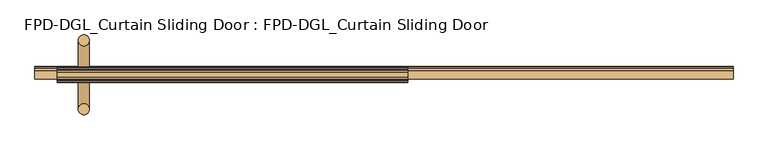
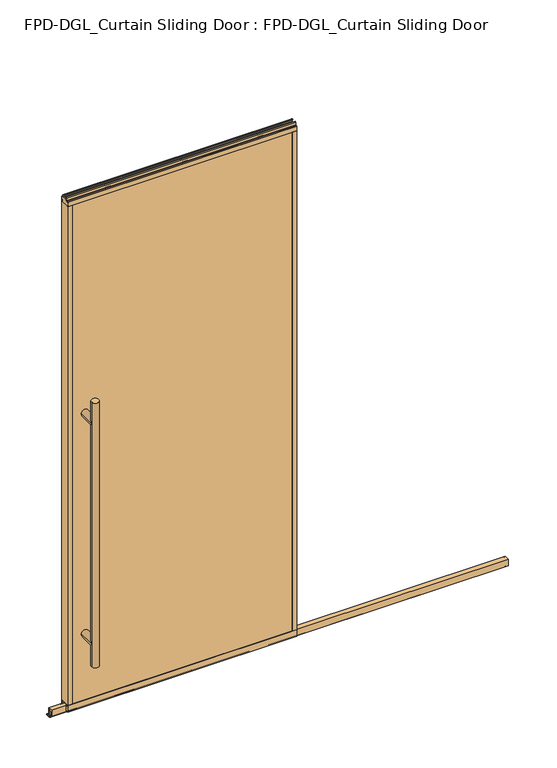
"""IFC4 building model written with IfcOpenShell, lengths in millimetres: door geometry, FPD-DGL_Curtain Sliding Door : FPD-DGL_Curtain Sliding Door."""

from ifc_helpers import new_model, si_unit, point, frame, frame_2d, origin, place, context, project, spatial, polyline, circle_curve, ellipse_curve, trimmed, segment, composite_curve, outline, extrude, source, transform, mapped, element, save
from ifc_brep_helpers import plane_surface, cylinder_surface, advanced_brep


def fpd_dgl_curtain_sliding_door_fpd_dgl_curtain_sliding_door_b90c5eca(model_context):
    return source(origin(), model_context, "Body", "SolidModel", [
        advanced_brep(
        [(-407.9879673, 35.128049, 1473.2), (-439.7379673, 35.128049, 1473.2), (-407.9879673, -162.0969566, 1473.2), (-439.7379673, -162.0969566, 1473.2), (-407.9879673, 35.128049, 254.0), (-439.7379673, 35.128049, 254.0), (-407.9879673, -162.0969566, 254.0), (-439.7379673, -162.0969566, 254.0), (-407.9879673, 35.128049, 355.6), (-439.7379673, 35.128049, 355.6), (-407.9879673, 35.128049, 1371.6), (-439.7379673, 35.128049, 1371.6), (-439.7379673, -162.0969566, 1371.6), (-439.7379673, -162.0969566, 355.6), (-407.9879673, -162.0969566, 355.6), (-407.9879673, -162.0969566, 1371.6)],
        [
            (0, 1, circle_curve(frame((-423.8629673, 35.128049, 1473.2), z_axis=(0.0, 0.0, 1.0), x_axis=(-1.0, 0.0, 0.0)), 15.875)),
            (1, 0, circle_curve(frame((-423.8629673, 35.128049, 1473.2), z_axis=(0.0, 0.0, 1.0), x_axis=(-1.0, 0.0, 0.0)), 15.875)),
            (2, 3, circle_curve(frame((-423.8629673, -162.0969566, 1473.2), z_axis=(0.0, 0.0, 1.0), x_axis=(-1.0, 0.0, 0.0)), 15.875)),
            (3, 2, circle_curve(frame((-423.8629673, -162.0969566, 1473.2), z_axis=(0.0, 0.0, 1.0), x_axis=(-1.0, 0.0, 0.0)), 15.875)),
            (4, 5, circle_curve(frame((-423.8629673, 35.128049, 254.0), z_axis=(0.0, 0.0, -1.0), x_axis=(-1.0, 0.0, 0.0)), 15.875)),
            (5, 4, circle_curve(frame((-423.8629673, 35.128049, 254.0), z_axis=(0.0, 0.0, -1.0), x_axis=(-1.0, 0.0, 0.0)), 15.875)),
            (6, 7, circle_curve(frame((-423.8629673, -162.0969566, 254.0), z_axis=(0.0, 0.0, -1.0), x_axis=(-1.0, 0.0, 0.0)), 15.875)),
            (7, 6, circle_curve(frame((-423.8629673, -162.0969566, 254.0), z_axis=(0.0, 0.0, -1.0), x_axis=(-1.0, 0.0, 0.0)), 15.875)),
            (4, 8),
            (8, 9, ellipse_curve(frame((-423.8629673, 35.128049, 355.6), z_axis=(0.0, 0.7071067811865525, -0.7071067811865427), x_axis=(0.0, 0.7071067811865427, 0.7071067811865523)), 22.4506403, 15.875)),
            (9, 5),
            (10, 11, ellipse_curve(frame((-423.8629673, 35.128049, 1371.6), z_axis=(0.0, 0.7071067811865427, -0.7071067811865525), x_axis=(0.0, 0.7071067811865525, 0.7071067811865425)), 22.4506403, 15.875)),
            (11, 9),
            (9, 8, ellipse_curve(frame((-423.8629673, 35.128049, 355.6), z_axis=(0.0, 0.7071067811865427, 0.7071067811865525), x_axis=(0.0, -0.7071067811865525, 0.7071067811865425)), 22.4506403, 15.875)),
            (8, 10),
            (1, 11),
            (11, 10, ellipse_curve(frame((-423.8629673, 35.128049, 1371.6), z_axis=(0.0, 0.7071067811865525, 0.7071067811865427), x_axis=(0.0, -0.7071067811865427, 0.7071067811865523)), 22.4506403, 15.875)),
            (10, 0),
            (3, 12),
            (12, 13),
            (13, 7),
            (6, 14),
            (14, 15),
            (15, 2),
            (15, 12, ellipse_curve(frame((-423.8629673, -162.0969566, 1371.6), z_axis=(0.0, -0.7071067811865427, 0.7071067811865525), x_axis=(0.0, 0.7071067811865525, 0.7071067811865425)), 22.4506403, 15.875)),
            (13, 14, ellipse_curve(frame((-423.8629673, -162.0969566, 355.6), z_axis=(0.0, -0.7071067811865427, -0.7071067811865525), x_axis=(0.0, -0.7071067811865525, 0.7071067811865425)), 22.4506403, 15.875)),
            (14, 13, ellipse_curve(frame((-423.8629673, -162.0969566, 355.6), z_axis=(0.0, -0.7071067811865525, 0.7071067811865427), x_axis=(0.0, 0.7071067811865427, 0.7071067811865523)), 22.4506403, 15.875)),
            (12, 15, ellipse_curve(frame((-423.8629673, -162.0969566, 1371.6), z_axis=(0.0, -0.7071067811865525, -0.7071067811865427), x_axis=(0.0, -0.7071067811865427, 0.7071067811865523)), 22.4506403, 15.875)),
            (10, 15),
            (12, 11),
            (8, 14),
            (13, 9),
        ],
        [
            plane_surface(frame((-324.7555665, -63.5, 1473.2), z_axis=(0.0, 0.0, 1.0), x_axis=(0.0, 1.0, 0.0))),
            plane_surface(frame((-324.7555665, -63.5, 254.0), z_axis=(0.0, 0.0, -1.0), x_axis=(0.0, 1.0, 0.0))),
            cylinder_surface(frame((-423.8629673, 35.128049, 1473.2), z_axis=(0.0, 0.0, 1.0), x_axis=(-1.0, 0.0, 0.0)), 15.875),
            cylinder_surface(frame((-423.8629673, -162.0969566, 1473.2), z_axis=(0.0, 0.0, 1.0), x_axis=(-1.0, 0.0, 0.0)), 15.875),
            cylinder_surface(frame((-423.8629673, -162.0969566, 1371.6), z_axis=(0.0, 1.0, 0.0), x_axis=(1.0, 0.0, 0.0)), 15.875),
            cylinder_surface(frame((-423.8629673, -63.5, 355.6), z_axis=(0.0, 1.0, 0.0), x_axis=(1.0, 0.0, 0.0)), 15.875),
        ],
        [
            (0, [[1, 2]]),
            (0, [[3, 4]]),
            (1, [[5, 6]]),
            (1, [[7, 8]]),
            (2, [[9, 10, 11, -5]]),
            (2, [[12, 13, 14, 15]]),
            (2, [[16, 17, 18, -2]]),
            (2, [[-18, -15, -9, -6, -11, -13, -16, -1]]),
            (3, [[19, 20, 21, -7, 22, 23, 24, -4]]),
            (3, [[-24, 25, -19, -3]]),
            (3, [[-21, 26, -22, -8]]),
            (3, [[27, -20, 28, -23]]),
            (4, [[-12, 29, -28, 30]]),
            (4, [[-25, -29, -17, -30]]),
            (5, [[-10, 31, -26, 32]]),
            (5, [[-27, -31, -14, -32]]),
        ],
    ),
        extrude(outline(composite_curve([segment(polyline([(-59.6869794, 1.1714386), (-59.6869794, 4.0416386)]), True, "CONTINUOUS"), segment(trimmed(circle_curve(frame_2d((-58.5185794, 4.0416386)), 1.1684), [point((-59.6869794, 4.0416386))], [point((-58.9336188, 5.1338386))], False, "CARTESIAN"), True, "CONTINUOUS"), segment(polyline([(-58.9336188, 5.1338386), (-56.2262294, 5.1338386), (-56.2262294, 4.3138948), (-58.9122794, 4.3138948), (-58.9122794, 0.7650387), (-40.4337797, 0.7650387), (-40.4337797, 4.4232339), (-43.4288569, 4.4232339), (-43.4288569, 5.2100386), (-40.8401797, 5.2100386)]), True, "CONTINUOUS"), segment(trimmed(circle_curve(frame_2d((-40.8401797, 4.0416386)), 1.1684), [point((-40.8401797, 5.2100386))], [point((-39.6717797, 4.0416386))], False, "CARTESIAN"), True, "CONTINUOUS"), segment(polyline([(-39.6717797, 4.0416386), (-39.6717797, 1.1714386)]), True, "CONTINUOUS"), segment(trimmed(circle_curve(frame_2d((-40.8401797, 1.1714386)), 1.1684), [point((-39.6717797, 1.1714386))], [point((-40.8401797, 0.0030387))], False, "CARTESIAN"), True, "CONTINUOUS"), segment(polyline([(-40.8401797, 0.0030387), (-58.5185794, 0.0030387)]), True, "CONTINUOUS"), segment(trimmed(circle_curve(frame_2d((-58.5185794, 1.1714386)), 1.1684), [point((-58.5185794, 0.0030387))], [point((-59.6869794, 1.1714386))], False, "CARTESIAN"), True, "CONTINUOUS")], self_intersect=False)), frame((-563.5629673, 0.0, 0.0), z_axis=(1.0, 0.0, 0.0), x_axis=(0.0, 1.0, 0.0)), (0.0, 0.0, 1.0), 1990.7259345),
        extrude(outline(composite_curve([segment(polyline([(-74.4646139, 41.6030387), (-52.5646141, 41.6030387), (-52.5646141, 11.6839647), (-54.064702, 11.6839647), (-54.064702, 39.1709995)]), True, "CONTINUOUS"), segment(trimmed(circle_curve(frame_2d((-54.9969627, 39.1709995)), 0.9322606), [point((-54.064702, 39.1709995))], [point((-54.9969627, 40.1032601))], True, "CARTESIAN"), True, "CONTINUOUS"), segment(polyline([(-54.9969627, 40.1032601), (-60.0857402, 40.1032601)]), True, "CONTINUOUS"), segment(trimmed(circle_curve(frame_2d((-60.0857402, 39.1243868)), 0.9788733), [point((-60.0857402, 40.1032601))], [point((-61.0646135, 39.1243868))], True, "CARTESIAN"), True, "CONTINUOUS"), segment(polyline([(-61.0646135, 39.1243868), (-61.0646135, 11.6839647), (-62.6646138, 11.6839647), (-62.6646138, 33.5017657), (-64.0544462, 33.5017657), (-64.0544462, 34.3040626), (-62.6646138, 34.3040626), (-62.6646138, 35.6040627), (-73.4646139, 35.6040627), (-73.4646139, 34.3040626), (-72.0747815, 34.3040626), (-72.0747815, 33.5017657), (-73.4646139, 33.5017657), (-73.4646139, 11.6839647), (-74.4646139, 11.6839647), (-74.4646139, 41.6030387)]), True, "CONTINUOUS")], self_intersect=False)), frame((-563.5629673, 0.0, 0.0), z_axis=(1.0, 0.0, 0.0), x_axis=(0.0, 1.0, 0.0)), (0.0, 0.0, 1.0), 1990.7259345),
        extrude(outline(composite_curve([segment(polyline([(-49.1758097, 48.6471016), (-49.1758097, 47.6299627), (-50.5428229, 47.6299627), (-50.5428229, 41.3613764)]), True, "CONTINUOUS"), segment(trimmed(circle_curve(frame_2d((-48.227348, 41.3613764)), 2.3154748), [point((-50.5428229, 41.3613764))], [point((-48.227348, 39.0459016))], True, "CARTESIAN"), True, "CONTINUOUS"), segment(polyline([(-48.227348, 39.0459016), (-43.2396246, 39.0522555)]), True, "CONTINUOUS"), segment(trimmed(circle_curve(frame_2d((-43.337823, 39.8079016)), 0.762), [point((-43.2396246, 39.0522555))], [point((-42.575823, 39.8079016))], True, "CARTESIAN"), True, "CONTINUOUS"), segment(polyline([(-42.575823, 39.8079016), (-42.575823, 48.6471016), (-41.2758255, 48.6471016), (-41.2758255, 19.0059017), (-50.3972378, 19.0059017), (-50.3972378, 15.875), (-52.3015279, 15.875), (-52.3015279, 47.0470737), (-74.6984721, 47.0470737), (-74.6984721, 15.875), (-76.6027622, 15.875), (-76.6027622, 19.0059017), (-85.7241745, 19.0059017), (-85.7241745, 48.6471016), (-84.424177, 48.6471016), (-84.424177, 39.8079016)]), True, "CONTINUOUS"), segment(trimmed(circle_curve(frame_2d((-83.662177, 39.8079016)), 0.762), [point((-84.424177, 39.8079016))], [point((-83.7603754, 39.0522555))], True, "CARTESIAN"), True, "CONTINUOUS"), segment(polyline([(-83.7603754, 39.0522555), (-78.772652, 39.0459016)]), True, "CONTINUOUS"), segment(trimmed(circle_curve(frame_2d((-78.772652, 41.3613764)), 2.3154748), [point((-78.772652, 39.0459016))], [point((-76.4571771, 41.3613764))], True, "CARTESIAN"), True, "CONTINUOUS"), segment(polyline([(-76.4571771, 41.3613764), (-76.4571771, 47.6299627), (-77.8241903, 47.6299627), (-77.8241903, 48.6471016), (-49.1758097, 48.6471016)]), True, "CONTINUOUS")], self_intersect=False)), frame((-500.0629673, 0.0, 0.0), z_axis=(1.0, 0.0, 0.0), x_axis=(0.0, 1.0, 0.0)), (0.0, 0.0, 1.0), 1000.1259345),
        extrude(outline(composite_curve([segment(polyline([(-55.1000175, 2383.0590768), (-50.0953412, 2383.0590768)]), True, "CONTINUOUS"), segment(trimmed(circle_curve(frame_2d((-50.0953412, 2382.4637643)), 0.5953125), [point((-50.0953412, 2383.0590768))], [point((-49.5000287, 2382.4637643))], False, "CARTESIAN"), True, "CONTINUOUS"), segment(polyline([(-49.5000287, 2382.4637643), (-49.5000287, 2371.0957628)]), True, "CONTINUOUS"), segment(trimmed(circle_curve(frame_2d((-47.5809248, 2371.0957628)), 1.919104), [point((-49.5000287, 2371.0957628))], [point((-47.5809248, 2369.1766588))], True, "CARTESIAN"), True, "CONTINUOUS"), segment(polyline([(-47.5809248, 2369.1766588), (-42.0750432, 2369.1766588)]), True, "CONTINUOUS"), segment(trimmed(circle_curve(frame_2d((-42.0750432, 2368.3766603)), 0.7999985), [point((-42.0750432, 2369.1766588))], [point((-41.2750446, 2368.3766603))], False, "CARTESIAN"), True, "CONTINUOUS"), segment(polyline([(-41.2750446, 2368.3766603), (-41.2750446, 2349.4916588), (-42.5750423, 2349.4916588), (-42.5750423, 2359.5916388)]), True, "CONTINUOUS"), segment(trimmed(circle_curve(frame_2d((-43.0750413, 2359.5916388)), 0.499999), [point((-42.5750423, 2359.5916388))], [point((-43.0750413, 2360.0916377))], True, "CARTESIAN"), True, "CONTINUOUS"), segment(polyline([(-43.0750413, 2360.0916377), (-49.1750289, 2360.0916377), (-49.1750289, 2349.4916588), (-77.8249714, 2349.4916588), (-77.8249714, 2360.0916377), (-83.9249587, 2360.0916377)]), True, "CONTINUOUS"), segment(trimmed(circle_curve(frame_2d((-83.9249587, 2359.5916388)), 0.499999), [point((-83.9249587, 2360.0916377))], [point((-84.4249577, 2359.5916388))], True, "CARTESIAN"), True, "CONTINUOUS"), segment(polyline([(-84.4249577, 2359.5916388), (-84.4249577, 2349.4916588), (-85.7249551, 2349.4916588), (-85.7249551, 2368.3766603)]), True, "CONTINUOUS"), segment(trimmed(circle_curve(frame_2d((-84.9249567, 2368.3766603)), 0.7999984), [point((-85.7249551, 2368.3766603))], [point((-84.9249567, 2369.1766587))], False, "CARTESIAN"), True, "CONTINUOUS"), segment(polyline([(-84.9249567, 2369.1766587), (-79.4190752, 2369.1766587)]), True, "CONTINUOUS"), segment(trimmed(circle_curve(frame_2d((-79.4190752, 2371.0957626)), 1.919104), [point((-79.4190752, 2369.1766587))], [point((-77.4999713, 2371.0957626))], True, "CARTESIAN"), True, "CONTINUOUS"), segment(polyline([(-77.4999713, 2371.0957626), (-77.4999713, 2382.4637643)]), True, "CONTINUOUS"), segment(trimmed(circle_curve(frame_2d((-76.9046588, 2382.4637643)), 0.5953125), [point((-77.4999713, 2382.4637643))], [point((-76.9046588, 2383.0590768))], False, "CARTESIAN"), True, "CONTINUOUS"), segment(polyline([(-76.9046588, 2383.0590768), (-71.8999825, 2383.0590768), (-71.8999825, 2381.0590808), (-75.4999752, 2381.0590808), (-75.4999752, 2372.5590978)]), True, "CONTINUOUS"), segment(trimmed(circle_curve(frame_2d((-74.9999762, 2372.5590978)), 0.499999), [point((-75.4999752, 2372.5590978))], [point((-74.9999762, 2372.0590988))], True, "CARTESIAN"), True, "CONTINUOUS"), segment(polyline([(-74.9999762, 2372.0590988), (-52.0000238, 2372.0590988)]), True, "CONTINUOUS"), segment(trimmed(circle_curve(frame_2d((-52.0000238, 2372.5590978)), 0.499999), [point((-52.0000238, 2372.0590988))], [point((-51.5000248, 2372.5590978))], True, "CARTESIAN"), True, "CONTINUOUS"), segment(polyline([(-51.5000248, 2372.5590978), (-51.5000248, 2381.0590808), (-55.1000175, 2381.0590808), (-55.1000175, 2383.0590768)]), True, "CONTINUOUS")], self_intersect=False)), frame((-500.0629673, 0.0, 0.0), z_axis=(1.0, 0.0, 0.0), x_axis=(0.0, 1.0, 0.0)), (0.0, 0.0, 1.0), 1000.1259345),
        extrude(outline(polyline([(490.1261183, -84.4265993), (-490.1261183, -84.4265993), (-490.1261183, -77.825), (490.1261183, -77.825), (490.1261183, -84.4265993)])), frame((0.0, 0.0, 39.1580021), z_axis=(0.0, 0.0, 1.0), x_axis=(1.0, 0.0, 0.0)), (0.0, 0.0, 1.0), 2320.6670934),
        extrude(outline(polyline([(-490.1261183, -49.175), (-490.1261183, -42.5734007), (490.1261183, -42.5734007), (490.1261183, -49.175), (-490.1261183, -49.175)])), frame((0.0, 0.0, 39.1580021), z_axis=(0.0, 0.0, 1.0), x_axis=(1.0, 0.0, 0.0)), (0.0, 0.0, 1.0), 2320.6670934),
        extrude(outline(composite_curve([segment(polyline([(-500.0629673, -85.725), (-500.0629673, -41.275), (-479.5261183, -41.275), (-479.5261183, -42.5734), (-489.5969246, -42.5734)]), True, "CONTINUOUS"), segment(trimmed(circle_curve(frame_2d((-489.5969246, -43.1025937)), 0.5291937), [point((-489.5969246, -42.5734))], [point((-490.1261183, -43.1025937))], True, "CARTESIAN"), True, "CONTINUOUS"), segment(polyline([(-490.1261183, -43.1025937), (-490.1261183, -45.0596), (-491.3261182, -45.0596), (-491.3261182, -42.5798), (-498.2595672, -42.5798), (-498.2595672, -54.254802), (-491.3261182, -54.254802), (-491.3261182, -49.175), (-479.5261183, -49.175), (-479.5261183, -77.825), (-491.3261182, -77.825), (-491.3261182, -72.745198), (-498.2595672, -72.745198), (-498.2595672, -84.4202), (-491.3261182, -84.4202), (-491.3261182, -81.9404), (-490.1261183, -81.9404), (-490.1261183, -83.9185993)]), True, "CONTINUOUS"), segment(trimmed(circle_curve(frame_2d((-489.6181183, -83.9185993)), 0.508), [point((-490.1261183, -83.9185993))], [point((-489.6181183, -84.4265993))], True, "CARTESIAN"), True, "CONTINUOUS"), segment(polyline([(-489.6181183, -84.4265993), (-479.5261183, -84.4265993), (-479.5261183, -85.725), (-500.0629673, -85.725)]), True, "CONTINUOUS")], self_intersect=False)), frame((0.0, 0.0, 48.6471016), z_axis=(0.0, 0.0, 1.0), x_axis=(1.0, 0.0, 0.0)), (0.0, 0.0, 1.0), 2300.8445572),
        extrude(outline(composite_curve([segment(polyline([(500.0629673, -85.725), (479.5261183, -85.725), (479.5261183, -84.4265993), (489.6181183, -84.4265993)]), True, "CONTINUOUS"), segment(trimmed(circle_curve(frame_2d((489.6181183, -83.9185993)), 0.508), [point((489.6181183, -84.4265993))], [point((490.1261183, -83.9185993))], True, "CARTESIAN"), True, "CONTINUOUS"), segment(polyline([(490.1261183, -83.9185993), (490.1261183, -81.9404), (491.3261182, -81.9404), (491.3261182, -84.4202), (498.2595672, -84.4202), (498.2595672, -72.745198), (491.3261182, -72.745198), (491.3261182, -77.825), (479.5261184, -77.825), (479.5261184, -49.175), (491.3261182, -49.175), (491.3261182, -54.254802), (498.2595672, -54.254802), (498.2595672, -42.5798), (491.3261182, -42.5798), (491.3261182, -45.0596), (490.1261183, -45.0596), (490.1261183, -43.1025937)]), True, "CONTINUOUS"), segment(trimmed(circle_curve(frame_2d((489.5969246, -43.1025937)), 0.5291937), [point((490.1261183, -43.1025937))], [point((489.5969246, -42.5734))], True, "CARTESIAN"), True, "CONTINUOUS"), segment(polyline([(489.5969246, -42.5734), (479.5261183, -42.5734), (479.5261183, -41.275), (500.0629673, -41.275), (500.0629673, -85.725)]), True, "CONTINUOUS")], self_intersect=False)), frame((0.0, 0.0, 48.6471016), z_axis=(0.0, 0.0, 1.0), x_axis=(1.0, 0.0, 0.0)), (0.0, 0.0, 1.0), 2300.8445572),
    ])


if __name__ == "__main__":
    model = new_model("IFC4")
    model_context = context("Model", 3, world=origin())
    ifc_project = project(units=[si_unit("LENGTHUNIT", "METRE", prefix="MILLI")], contexts=[model_context])
    site = spatial("IfcSite", under=ifc_project)
    building = spatial("IfcBuilding", under=site)
    placement = place(None, origin())
    fpd_dgl_curtain_sliding_door_fpd_dgl_curtain_sliding_door_shape = fpd_dgl_curtain_sliding_door_fpd_dgl_curtain_sliding_door_b90c5eca(model_context)
    element("IfcDoor", 1, ObjectType="FPD-DGL_Curtain Sliding Door : FPD-DGL_Curtain Sliding Door", at=placement, inside=building, context=model_context, shape_type="MappedRepresentation", body=[
        mapped(fpd_dgl_curtain_sliding_door_fpd_dgl_curtain_sliding_door_shape, transform((0.0, 0.0, 0.0), x_axis=(1.0, 0.0, 0.0), y_axis=(0.0, 1.0, 0.0), z_axis=(0.0, 0.0, 1.0))),
    ])
    save(model, "model.ifc")
